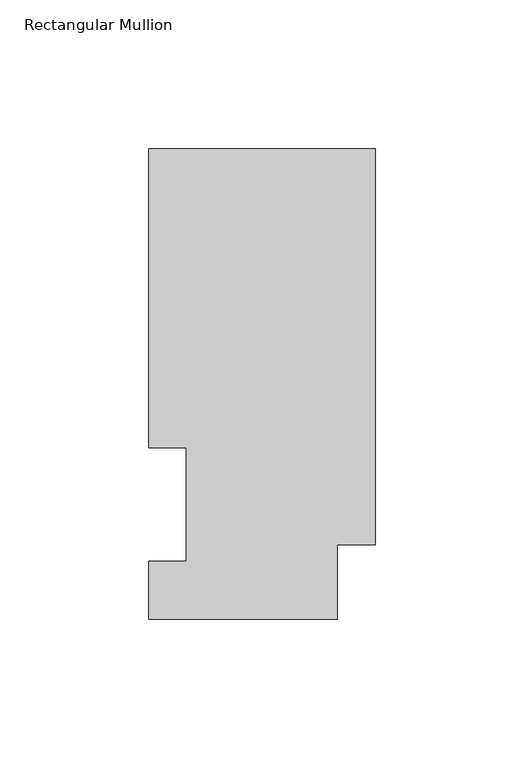
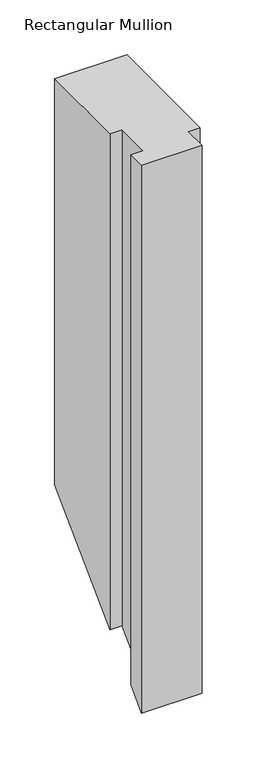
"""IFC4 building model written with IfcOpenShell, lengths in millimetres: member geometry, Rectangular Mullion."""

from ifc_helpers import new_model, si_unit, origin, place, context, project, spatial, faceted_brep, source, transform, mapped, element, save


def rectangular_mullion_af9d31c8(model_context):
    return source(origin(), model_context, "Body", "Brep", [
        faceted_brep([(-76.2, 158.3316937, 0.0), (-76.2, 57.6460938, 0.0), (-63.5, 57.6460938, 0.0), (-63.5, 19.5460937, 0.0), (-76.2, 19.5460937, 0.0), (-76.2, 0.0134937, 0.0), (-12.7, 0.0134937, 0.0), (-12.7, 25.0832937, 0.0), (0.0, 25.0832937, 0.0), (0.0, 158.3316937, 0.0), (-76.2, 158.3316937, -451.2683062), (-76.2, 57.6460938, -551.9539062), (-63.5, 57.6460938, -551.9539062), (-63.5, 19.5460937, -590.0539062), (-76.2, 19.5460937, -590.0539062), (-76.2, 0.0134937, -609.5865063), (-12.7, 0.0134937, -609.5865063), (-12.7, 25.0832937, -584.5167062), (0.0, 25.0832937, -584.5167062), (0.0, 158.3316937, -451.2683062)], [[[0, 1, 2, 3, 4, 5, 6, 7, 8, 9]], [[1, 0, 10, 11]], [[2, 1, 11, 12]], [[3, 2, 12, 13]], [[4, 3, 13, 14]], [[5, 4, 14, 15]], [[6, 5, 15, 16]], [[7, 6, 16, 17]], [[8, 7, 17, 18]], [[9, 8, 18, 19]], [[0, 9, 19, 10]], [[10, 19, 18, 17, 16, 15, 14, 13, 12, 11]]]),
    ])


if __name__ == "__main__":
    model = new_model("IFC4")
    model_context = context("Model", 3, world=origin())
    ifc_project = project(units=[si_unit("LENGTHUNIT", "METRE", prefix="MILLI")], contexts=[model_context])
    site = spatial("IfcSite", under=ifc_project)
    building = spatial("IfcBuilding", under=site)
    placement = place(None, origin())
    rectangular_mullion_shape = rectangular_mullion_af9d31c8(model_context)
    element("IfcMember", 1, ObjectType="Rectangular Mullion", at=placement, inside=building, context=model_context, shape_type="MappedRepresentation", body=[
        mapped(rectangular_mullion_shape, transform((0.0, 0.0, 0.0), x_axis=(1.0, 0.0, 0.0), y_axis=(0.0, 1.0, 0.0), z_axis=(0.0, 0.0, 1.0))),
    ])
    save(model, "model.ifc")
